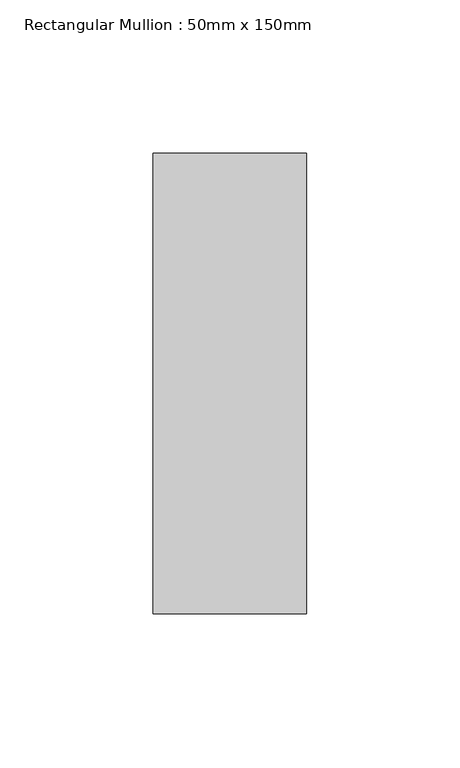
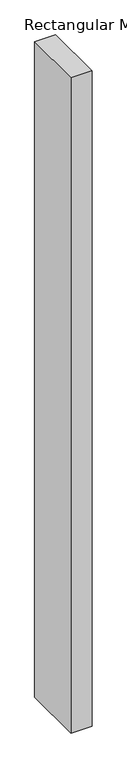
"""IFC4 building model written with IfcOpenShell, lengths in millimetres: member geometry, Rectangular Mullion : 50mm x 150mm."""

from ifc_helpers import new_model, si_unit, frame, origin, place, context, project, spatial, polyline, outline, extrude, source, transform, mapped, element, save


def rectangular_mullion_50mm_x_150mm_b78b0bab(model_context):
    return source(origin(), model_context, "Body", "SweptSolid", [
        extrude(outline(polyline([(0.0, 75.0), (0.0, -75.0), (-50.0, -75.0), (-50.0, 75.0), (0.0, 75.0)])), frame((0.0, 0.0, -1652.9999999), z_axis=(0.0, 0.0, 1.0), x_axis=(1.0, 0.0, 0.0)), (0.0, 0.0, 1.0), 1652.9999999),
    ])


if __name__ == "__main__":
    model = new_model("IFC4")
    model_context = context("Model", 3, world=origin())
    ifc_project = project(units=[si_unit("LENGTHUNIT", "METRE", prefix="MILLI")], contexts=[model_context])
    site = spatial("IfcSite", under=ifc_project)
    building = spatial("IfcBuilding", under=site)
    placement = place(None, origin())
    rectangular_mullion_50mm_x_150mm_shape = rectangular_mullion_50mm_x_150mm_b78b0bab(model_context)
    element("IfcMember", 1, ObjectType="Rectangular Mullion : 50mm x 150mm", at=placement, inside=building, context=model_context, shape_type="MappedRepresentation", body=[
        mapped(rectangular_mullion_50mm_x_150mm_shape, transform((0.0, 0.0, 0.0), x_axis=(1.0, 0.0, 0.0), y_axis=(0.0, 1.0, 0.0), z_axis=(0.0, 0.0, 1.0))),
    ])
    save(model, "model.ifc")
